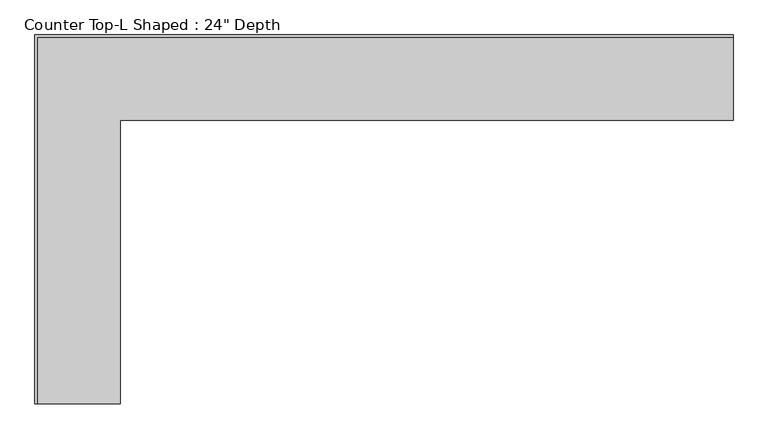
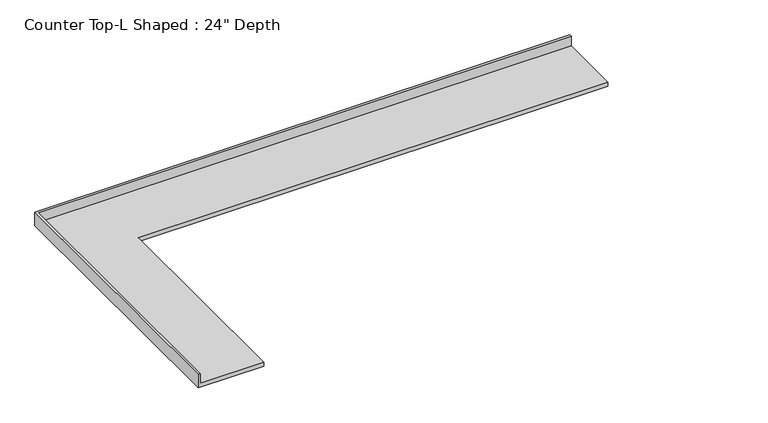
"""IFC4 building model written with IfcOpenShell, lengths in millimetres: furniture geometry."""

from ifc_helpers import new_model, si_unit, origin, place, context, project, spatial, faceted_brep, source, transform, mapped, element, save


def furniture_a687c1ea(model_context):
    return source(origin(), model_context, "Body", "Brep", [
        faceted_brep([(-565.4622951, -2738.1801375, 914.4), (-565.4622951, -635.0, 914.4), (3981.1377049, -635.0, 914.4), (3981.1377049, -19.05, 914.4), (-1181.4122951, -19.05, 914.4), (-1181.4122951, -2738.1801375, 914.4), (3981.1377049, 0.0, 876.3), (3981.1377049, -635.0, 876.3), (-565.4622951, -635.0, 876.3), (-565.4622951, -2738.1801375, 876.3), (-1200.4622951, -2738.1801375, 876.3), (-1200.4622951, 0.0, 876.3), (-1200.4622951, 0.0, 1016.0), (3981.1377049, 0.0, 1016.0), (-1200.4622951, -2738.1801375, 1016.0), (-1181.4122951, -2738.1801375, 1016.0), (3981.1377049, -19.05, 1016.0), (-1181.4122951, -19.05, 1016.0)], [[[0, 1, 2, 3, 4, 5]], [[6, 7, 8, 9, 10, 11]], [[6, 11, 12, 13]], [[11, 10, 14, 12]], [[14, 10, 9, 0, 5, 15]], [[1, 0, 9, 8]], [[2, 1, 8, 7]], [[7, 6, 13, 16, 3, 2]], [[12, 14, 15, 17, 16, 13]], [[3, 16, 17, 4]], [[17, 15, 5, 4]]]),
    ])


if __name__ == "__main__":
    model = new_model("IFC4")
    model_context = context("Model", 3, world=origin())
    ifc_project = project(units=[si_unit("LENGTHUNIT", "METRE", prefix="MILLI")], contexts=[model_context])
    site = spatial("IfcSite", under=ifc_project)
    building = spatial("IfcBuilding", under=site)
    placement = place(None, origin())
    furniture_shape = furniture_a687c1ea(model_context)
    element("IfcFurniture", 1, ObjectType="Counter Top-L Shaped : 24\" Depth", at=placement, inside=building, context=model_context, shape_type="MappedRepresentation", body=[
        mapped(furniture_shape, transform((0.0, 0.0, 0.0), x_axis=(1.0, 0.0, 0.0), y_axis=(0.0, 1.0, 0.0), z_axis=(0.0, 0.0, 1.0))),
    ])
    save(model, "model.ifc")
